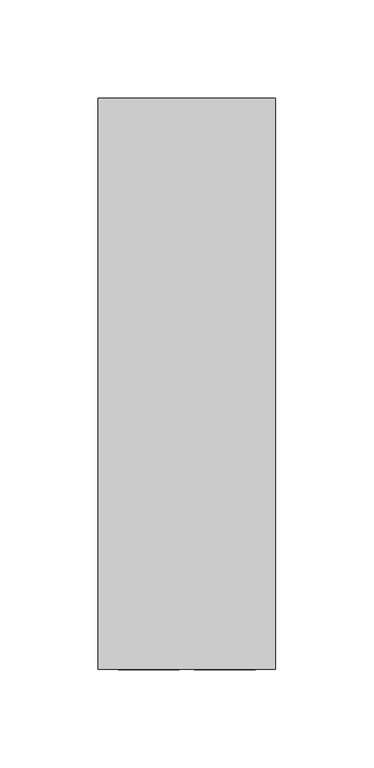
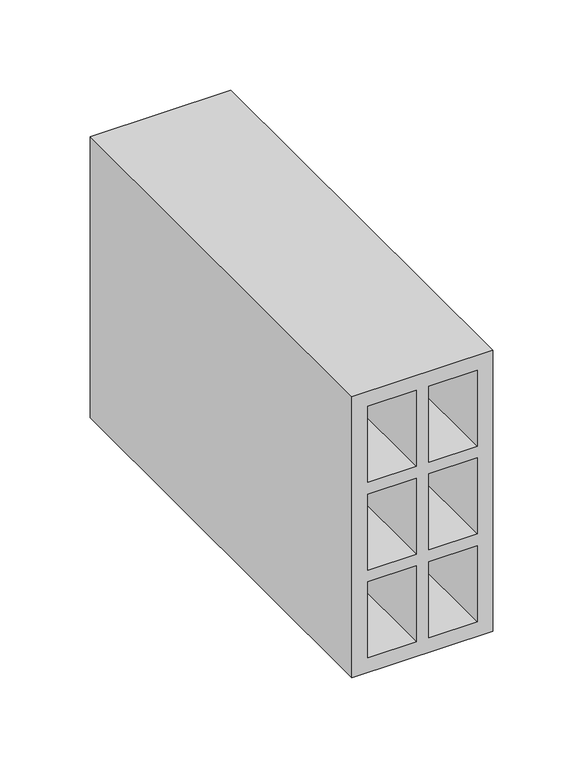
"""IFC4 building model written with IfcOpenShell, lengths in millimetres: proxy geometry."""

from ifc_helpers import new_model, si_unit, frame, origin, place, context, project, spatial, polyline, outline, extrude, source, transform, mapped, element, save


def generic_models_3716d4f2(model_context):
    return source(origin(), model_context, "Body", "SweptSolid", [
        extrude(outline(polyline([(0.0, 90.0), (190.0, 90.0), (190.0, 0.0), (0.0, 0.0), (0.0, 90.0)]), holes=[polyline([(10.0, 49.0), (61.3, 49.0), (61.3, 80.0), (10.0, 80.0), (10.0, 49.0)]), polyline([(10.0, 41.0), (10.0, 10.0), (61.3, 10.0), (61.3, 41.0), (10.0, 41.0)]), polyline([(180.0, 49.0), (180.0, 80.0), (128.7, 80.0), (128.7, 49.0), (180.0, 49.0)]), polyline([(180.0, 41.0), (128.7, 41.0), (128.7, 10.0), (180.0, 10.0), (180.0, 41.0)]), polyline([(69.3, 49.0), (120.7, 49.0), (120.7, 80.0), (69.3, 80.0), (69.3, 49.0)]), polyline([(69.3, 41.0), (69.3, 10.0), (120.7, 10.0), (120.7, 41.0), (69.3, 41.0)])]), frame((0.0, 0.0, 0.0), z_axis=(0.0, 1.0, 0.0), x_axis=(0.0, 0.0, 1.0)), (0.0, 0.0, 1.0), 290.0),
    ])


if __name__ == "__main__":
    model = new_model("IFC4")
    model_context = context("Model", 3, world=origin())
    ifc_project = project(units=[si_unit("LENGTHUNIT", "METRE", prefix="MILLI")], contexts=[model_context])
    site = spatial("IfcSite", under=ifc_project)
    building = spatial("IfcBuilding", under=site)
    placement = place(None, origin())
    generic_models_shape = generic_models_3716d4f2(model_context)
    element("IfcBuildingElementProxy", 1, Name="Generic Models", at=placement, inside=building, context=model_context, shape_type="MappedRepresentation", body=[
        mapped(generic_models_shape, transform((0.0, 0.0, 0.0), x_axis=(1.0, 0.0, 0.0), y_axis=(0.0, 1.0, 0.0), z_axis=(0.0, 0.0, 1.0))),
    ])
    save(model, "model.ifc")
